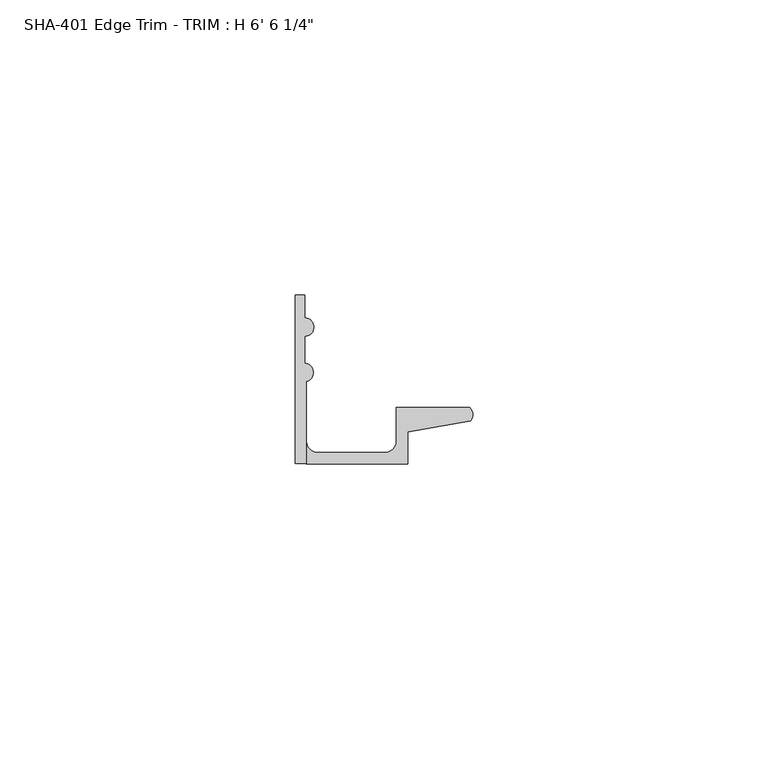
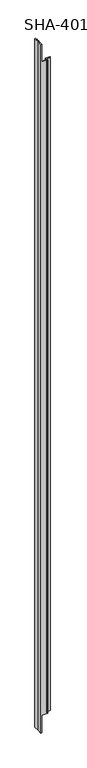
"""IFC4 building model written with IfcOpenShell, lengths in millimetres: proxy geometry."""

from ifc_helpers import new_model, si_unit, frame, origin, place, context, project, spatial, polyline, circle_curve, source, transform, mapped, element, save
from ifc_brep_helpers import plane_surface, cylinder_surface, revolved_surface, advanced_brep


def proxy_e9c59d47(model_context):
    return source(origin(), model_context, "Body", "AdvancedBrep", [
        advanced_brep(
        [(0.0, 0.0, 1987.55), (1.905, 0.0, 1987.55), (1.905, 13.9230434, 1987.55), (1.5748, 17.018, 1987.55), (1.5748, 21.5549919, 1987.55), (1.5748, 24.7045919, 1987.55), (1.5748, 28.575, 1987.55), (0.0, 28.575, 1987.55), (0.0, 13.8696178, 1987.55), (1.905, 0.0, 0.0), (0.0, 0.0, 0.0), (0.0, 13.8696178, 0.0), (0.0, 28.575, 0.0), (1.5748, 28.575, 0.0), (1.5748, 24.7045919, 0.0), (1.5748, 21.5549919, 0.0), (1.5748, 17.018, 0.0), (1.905, 13.9230434, 0.0), (1.905, 0.0, 1936.75), (19.0246, 0.0, 1936.75), (19.0246, 5.392657, 1936.75), (29.6006869, 7.2036308, 1936.75), (29.5346031, 9.525, 1936.75), (17.1196, 9.525, 1936.75), (17.1196, 3.81, 1936.75), (15.2146, 1.905, 1936.75), (3.81, 1.905, 1936.75), (1.905, 3.81, 1936.75), (1.905, 3.81, 50.8), (3.81, 1.905, 50.8), (15.2146, 1.905, 50.8), (17.1196, 3.81, 50.8), (17.1196, 9.525, 50.8), (29.5346031, 9.525, 50.8), (29.6006869, 7.2036308, 50.8), (19.0246, 5.392657, 50.8), (19.0246, 0.0, 50.8), (1.905, 0.0, 50.8)],
        [
            (0, 1),
            (1, 2),
            (2, 3, circle_curve(frame((1.4838146, 15.4432, 1987.55), z_axis=(0.0, 0.0, 1.0), x_axis=(0.0, -1.0, 0.0)), 1.5774262)),
            (3, 4),
            (4, 5, circle_curve(frame((1.5748, 23.1297919, 1987.55), z_axis=(0.0, 0.0, 1.0), x_axis=(0.0, -1.0, 0.0)), 1.5748)),
            (5, 6),
            (6, 7),
            (7, 8),
            (8, 0),
            (9, 10),
            (10, 11),
            (11, 12),
            (12, 13),
            (13, 14),
            (14, 15, circle_curve(frame((1.5748, 23.1297919, 0.0), z_axis=(0.0, 0.0, -1.0), x_axis=(0.0, -1.0, 0.0)), 1.5748)),
            (15, 16),
            (16, 17, circle_curve(frame((1.4838146, 15.4432, 0.0), z_axis=(0.0, 0.0, -1.0), x_axis=(0.0, -1.0, 0.0)), 1.5774262)),
            (17, 9),
            (18, 19),
            (19, 20),
            (20, 21),
            (21, 22, circle_curve(frame((28.4438454, 8.3323235, 1936.75), z_axis=(0.0, 0.0, 1.0), x_axis=(0.0, -1.0, 0.0)), 1.6162393)),
            (22, 23),
            (23, 24),
            (24, 25, circle_curve(frame((15.2146, 3.81, 1936.75), z_axis=(0.0, 0.0, -1.0), x_axis=(0.0, -1.0, 0.0)), 1.905)),
            (25, 26),
            (26, 27, circle_curve(frame((3.81, 3.81, 1936.75), z_axis=(0.0, 0.0, -1.0), x_axis=(0.0, -1.0, 0.0)), 1.905)),
            (27, 18),
            (28, 29, circle_curve(frame((3.81, 3.81, 50.8), z_axis=(0.0, 0.0, 1.0), x_axis=(0.0, -1.0, 0.0)), 1.905)),
            (29, 30),
            (30, 31, circle_curve(frame((15.2146, 3.81, 50.8), z_axis=(0.0, 0.0, 1.0), x_axis=(0.0, -1.0, 0.0)), 1.905)),
            (31, 32),
            (32, 33),
            (33, 34, circle_curve(frame((28.4438454, 8.3323235, 50.8), z_axis=(0.0, 0.0, -1.0), x_axis=(0.0, -1.0, 0.0)), 1.6162393)),
            (34, 35),
            (35, 36),
            (36, 37),
            (37, 28),
            (20, 35),
            (34, 21),
            (19, 36),
            (9, 37),
            (18, 1),
            (0, 10),
            (8, 11),
            (7, 12),
            (6, 13),
            (5, 14),
            (4, 15),
            (3, 16),
            (2, 17),
            (27, 28),
            (26, 29),
            (25, 30),
            (24, 31),
            (23, 32),
            (22, 33),
        ],
        [
            plane_surface(frame((29.6006869, 7.2036308, 1987.55), z_axis=(0.0, 0.0, 1.0000000000000002), x_axis=(-0.9856543593991558, -0.16877643140391388, 0.0))),
            plane_surface(frame((29.6006869, 7.2036308, 0.0), z_axis=(0.0, 0.0, -1.0000000000000002), x_axis=(0.9856543593991558, 0.16877643140391388, 0.0))),
            plane_surface(frame((1.905, 9.525, 1936.75), z_axis=(0.0, 0.0, 1.0), x_axis=(0.0, -1.0, 0.0))),
            plane_surface(frame((30.1393415, 9.525, 50.8), z_axis=(0.0, 0.0, -1.0), x_axis=(0.0, -1.0, 0.0))),
            plane_surface(frame((29.6006869, 7.2036308, 1987.55), z_axis=(0.16877643140391388, -0.9856543593991558, 0.0), x_axis=(0.0, 0.0, -1.0))),
            plane_surface(frame((19.0246, 5.392657, 1987.55), z_axis=(1.0, 0.0, 0.0), x_axis=(0.0, 0.0, -1.0))),
            plane_surface(frame((19.0246, 0.0, 1987.55), z_axis=(0.0, -1.0, 0.0), x_axis=(0.0, 0.0, -1.0))),
            plane_surface(frame((0.0, 0.0, 1987.55), z_axis=(-1.0, 0.0, 0.0), x_axis=(0.0, 0.0, -1.0))),
            plane_surface(frame((0.0, 13.8696178, 1987.55), z_axis=(-1.0, 0.0, 0.0), x_axis=(0.0, 0.0, -1.0))),
            plane_surface(frame((0.0, 28.575, 1987.55), z_axis=(0.0, 1.0, 0.0), x_axis=(0.0, 0.0, -1.0))),
            plane_surface(frame((1.5748, 28.575, 1987.55), z_axis=(1.0, 0.0, 0.0), x_axis=(0.0, 0.0, -1.0))),
            cylinder_surface(frame((1.5748, 23.1297919, 0.0), z_axis=(0.0, 0.0, 1.0), x_axis=(0.0, -1.0, 0.0)), 1.5748),
            plane_surface(frame((1.5748, 21.5549919, 1987.55), z_axis=(1.0, 0.0, 0.0), x_axis=(0.0, 0.0, -1.0))),
            cylinder_surface(frame((1.4838146, 15.4432, 0.0), z_axis=(0.0, 0.0, 1.0), x_axis=(0.0, -1.0, 0.0)), 1.5774262),
            plane_surface(frame((1.905, 13.9230434, 1987.55), z_axis=(1.0, 0.0, 0.0), x_axis=(0.0, 0.0, -1.0))),
            revolved_surface(polyline([(3.81, 1.905, 50.8), (3.81, 1.905, 1936.75)]), (3.81, 3.81, 0.0), (0.0, 0.0, -1.0)),
            plane_surface(frame((3.81, 1.905, 1987.55), z_axis=(0.0, 1.0, 0.0), x_axis=(0.0, 0.0, -1.0))),
            revolved_surface(polyline([(15.2146, 1.905, 50.8), (15.2146, 1.905, 1936.75)]), (15.2146, 3.81, 0.0), (0.0, 0.0, -1.0)),
            plane_surface(frame((17.1196, 3.81, 1987.55), z_axis=(-1.0, 0.0, 0.0), x_axis=(0.0, 0.0, -1.0))),
            plane_surface(frame((17.1196, 9.525, 1987.55), z_axis=(0.0, 1.0, 0.0), x_axis=(0.0, 0.0, -1.0))),
            cylinder_surface(frame((28.4438454, 8.3323235, 0.0), z_axis=(0.0, 0.0, 1.0), x_axis=(0.0, -1.0, 0.0)), 1.6162393),
        ],
        [
            (0, [[1, 2, 3, 4, 5, 6, 7, 8, 9]]),
            (1, [[10, 11, 12, 13, 14, 15, 16, 17, 18]]),
            (2, [[19, 20, 21, 22, 23, 24, 25, 26, 27, 28]]),
            (3, [[29, 30, 31, 32, 33, 34, 35, 36, 37, 38]]),
            (4, [[-21, 39, -35, 40]]),
            (5, [[-20, 41, -36, -39]]),
            (6, [[-10, 42, -37, -41, -19, 43, -1, 44]]),
            (7, [[45, -11, -44, -9]]),
            (8, [[46, -12, -45, -8]]),
            (9, [[47, -13, -46, -7]]),
            (10, [[48, -14, -47, -6]]),
            (11, [[49, -15, -48, -5]]),
            (12, [[50, -16, -49, -4]]),
            (13, [[51, -17, -50, -3]]),
            (14, [[-2, -43, -28, 52, -38, -42, -18, -51]]),
            (15, [[-27, 53, -29, -52]]),
            (16, [[-26, 54, -30, -53]]),
            (17, [[-25, 55, -31, -54]]),
            (18, [[-24, 56, -32, -55]]),
            (19, [[-23, 57, -33, -56]]),
            (20, [[-34, -57, -22, -40]]),
        ],
    ),
    ])


if __name__ == "__main__":
    model = new_model("IFC4")
    model_context = context("Model", 3, world=origin())
    ifc_project = project(units=[si_unit("LENGTHUNIT", "METRE", prefix="MILLI")], contexts=[model_context])
    site = spatial("IfcSite", under=ifc_project)
    building = spatial("IfcBuilding", under=site)
    placement = place(None, origin())
    proxy_shape = proxy_e9c59d47(model_context)
    element("IfcBuildingElementProxy", 1, Name="SHA-401 Edge Trim - TRIM : H 6' 6 1/4\"", ObjectType="SHA-401 Edge Trim - TRIM : H 6' 6 1/4\"", at=placement, inside=building, context=model_context, shape_type="MappedRepresentation", body=[
        mapped(proxy_shape, transform((0.0, 0.0, 0.0), x_axis=(1.0, 0.0, 0.0), y_axis=(0.0, 1.0, 0.0), z_axis=(0.0, 0.0, 1.0))),
    ])
    save(model, "model.ifc")
